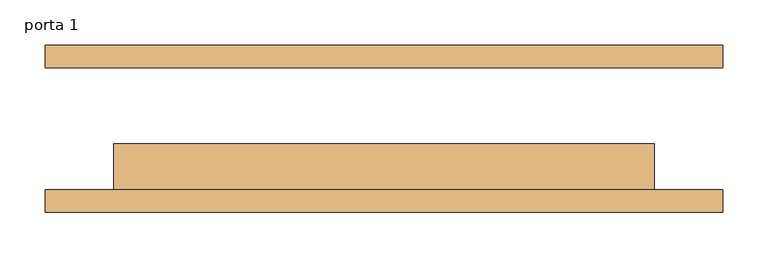
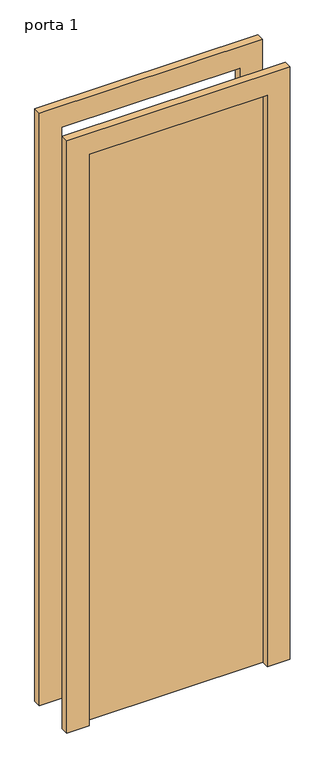
"""IFC4 building model written with IfcOpenShell, lengths in millimetres: door geometry, porta 1."""

from ifc_helpers import new_model, si_unit, frame, origin, origin_with_axes, place, context, project, spatial, polyline, outline, extrude, source, transform, mapped, element, save


def porta_1_b48cf747(model_context):
    return source(origin(), model_context, "Body", "SweptSolid", [
        extrude(outline(polyline([(2108.0, -376.0), (0.0, -376.0), (0.0, -300.0), (2032.0, -300.0), (2032.0, 300.0), (0.0, 300.0), (0.0, 376.0), (2108.0, 376.0), (2108.0, -376.0)])), frame((0.0, -92.75, 0.0), z_axis=(0.0, 1.0, 0.0), x_axis=(0.0, 0.0, 1.0)), (0.0, 0.0, 1.0), 25.0),
        extrude(outline(polyline([(2108.0, 376.0), (2108.0, -376.0), (0.0, -376.0), (0.0, -300.0), (2032.0, -300.0), (2032.0, 300.0), (0.0, 300.0), (0.0, 376.0), (2108.0, 376.0)])), frame((0.0, 67.75, 0.0), z_axis=(0.0, 1.0, 0.0), x_axis=(0.0, 0.0, 1.0)), (0.0, 0.0, 1.0), 25.0),
        extrude(outline(polyline([(300.0, -16.75), (300.0, -67.75), (-300.0, -67.75), (-300.0, -16.75), (300.0, -16.75)])), origin_with_axes(), (0.0, 0.0, 1.0), 2032.0),
    ])


if __name__ == "__main__":
    model = new_model("IFC4")
    model_context = context("Model", 3, world=origin())
    ifc_project = project(units=[si_unit("LENGTHUNIT", "METRE", prefix="MILLI")], contexts=[model_context])
    site = spatial("IfcSite", under=ifc_project)
    building = spatial("IfcBuilding", under=site)
    placement = place(None, origin())
    porta_1_shape = porta_1_b48cf747(model_context)
    element("IfcDoor", 1, ObjectType="porta 1", at=placement, inside=building, context=model_context, shape_type="MappedRepresentation", body=[
        mapped(porta_1_shape, transform((0.0, 0.0, 0.0), x_axis=(1.0, 0.0, 0.0), y_axis=(0.0, 1.0, 0.0), z_axis=(0.0, 0.0, 1.0))),
    ])
    save(model, "model.ifc")
